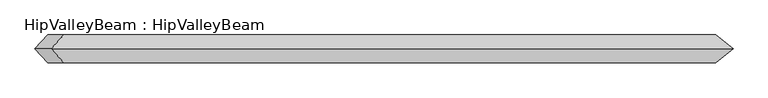
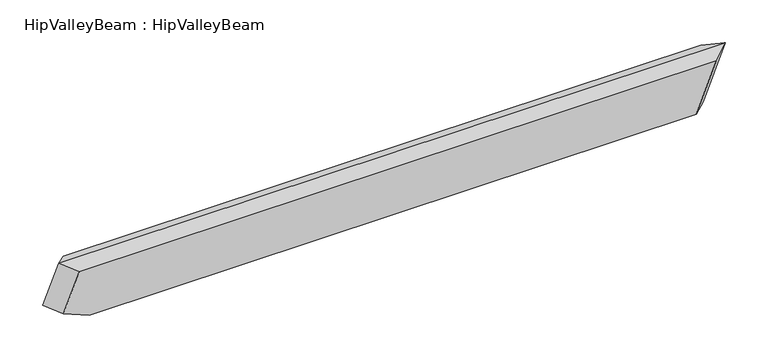
"""IFC4 building model written with IfcOpenShell, lengths in millimetres: beam geometry, HipValleyBeam : HipValleyBeam."""

from ifc_helpers import new_model, si_unit, origin, place, context, project, spatial, faceted_brep, source, transform, mapped, element, save


def hipvalleybeam_hipvalleybeam_f531fac7(model_context):
    return source(origin(), model_context, "Body", "Brep", [
        faceted_brep([(871.027015, 40.0, -160.0), (914.2319529, 0.0, -160.0), (871.027015, -40.0, -160.0), (-912.5838403, -40.0, -160.0), (-912.5838403, 40.0, -160.0), (930.1746074, 40.0, -15.1185789), (-988.9403783, 40.0, -128.8275739), (-942.5188754, 40.0, -15.1185789), (930.1746074, -40.0, -15.1185789), (-942.5188754, -40.0, -15.1185789), (-988.9403783, -40.0, -128.8275739), (979.5516794, 0.0, 0.0), (-979.5516794, 0.0, 0.0), (-1025.9731822, 0.0, -113.708995)], [[[0, 1, 2, 3, 4]], [[5, 0, 4, 6, 7]], [[2, 8, 9, 10, 3]], [[2, 1, 11, 8]], [[1, 0, 5, 11]], [[12, 7, 6, 13]], [[9, 12, 13, 10]], [[12, 11, 5, 7]], [[4, 3, 10, 13, 6]], [[11, 12, 9, 8]]]),
    ])


if __name__ == "__main__":
    model = new_model("IFC4")
    model_context = context("Model", 3, world=origin())
    ifc_project = project(units=[si_unit("LENGTHUNIT", "METRE", prefix="MILLI")], contexts=[model_context])
    site = spatial("IfcSite", under=ifc_project)
    building = spatial("IfcBuilding", under=site)
    placement = place(None, origin())
    hipvalleybeam_hipvalleybeam_shape = hipvalleybeam_hipvalleybeam_f531fac7(model_context)
    element("IfcBeam", 1, ObjectType="HipValleyBeam : HipValleyBeam", at=placement, inside=building, context=model_context, shape_type="MappedRepresentation", body=[
        mapped(hipvalleybeam_hipvalleybeam_shape, transform((0.0, 0.0, 0.0), x_axis=(1.0, 0.0, 0.0), y_axis=(0.0, 1.0, 0.0), z_axis=(0.0, 0.0, 1.0))),
    ])
    save(model, "model.ifc")
